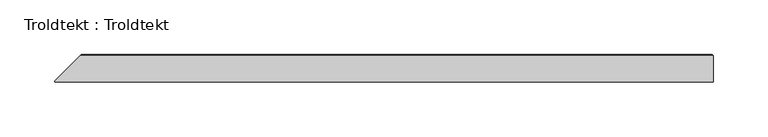
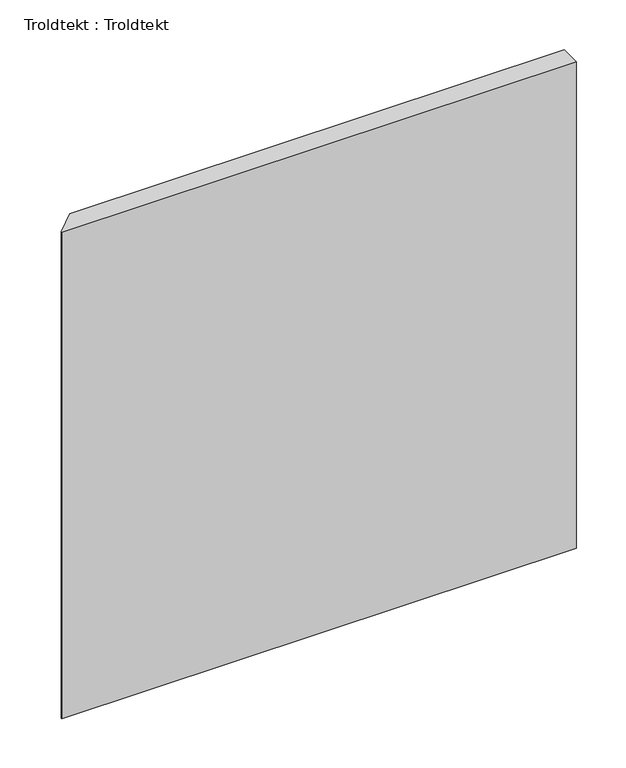
"""IFC4 building model written with IfcOpenShell, lengths in millimetres: proxy geometry, Troldtekt : Troldtekt."""

from ifc_helpers import new_model, si_unit, origin, place, context, project, spatial, faceted_brep, source, transform, mapped, element, save


def troldtekt_troldtekt_608df86a(model_context):
    return source(origin(), model_context, "Body", "Brep", [
        faceted_brep([(-300.0, -12.5, 600.0), (300.0, -12.5, 600.0), (300.0, 11.495044, 600.0), (-277.004956, 11.495044, 600.0), (-300.0, -11.5, 600.0), (300.0, -12.5, 0.0), (-300.0, -12.5, 0.0), (-300.0, -11.5, 0.0), (-277.004956, 11.495044, 0.0), (300.0, 11.495044, 0.0), (-276.0, 12.5, 1.004956), (-276.0, 12.5, 598.995044), (298.995044, 12.5, 598.995044), (298.995044, 12.5, 1.004956)], [[[0, 1, 2, 3, 4]], [[5, 6, 7, 8, 9]], [[10, 11, 12, 13]], [[6, 0, 4, 7]], [[1, 0, 6, 5]], [[1, 5, 9, 2]], [[13, 9, 8, 10]], [[9, 13, 12, 2]], [[2, 12, 11, 3]], [[7, 4, 3, 11, 10, 8]]]),
    ])


if __name__ == "__main__":
    model = new_model("IFC4")
    model_context = context("Model", 3, world=origin())
    ifc_project = project(units=[si_unit("LENGTHUNIT", "METRE", prefix="MILLI")], contexts=[model_context])
    site = spatial("IfcSite", under=ifc_project)
    building = spatial("IfcBuilding", under=site)
    placement = place(None, origin())
    troldtekt_troldtekt_shape = troldtekt_troldtekt_608df86a(model_context)
    element("IfcBuildingElementProxy", 1, Name="Troldtekt : Troldtekt", ObjectType="Troldtekt : Troldtekt", at=placement, inside=building, context=model_context, shape_type="MappedRepresentation", body=[
        mapped(troldtekt_troldtekt_shape, transform((0.0, 0.0, 0.0), x_axis=(1.0, 0.0, 0.0), y_axis=(0.0, 1.0, 0.0), z_axis=(0.0, 0.0, 1.0))),
    ])
    save(model, "model.ifc")
